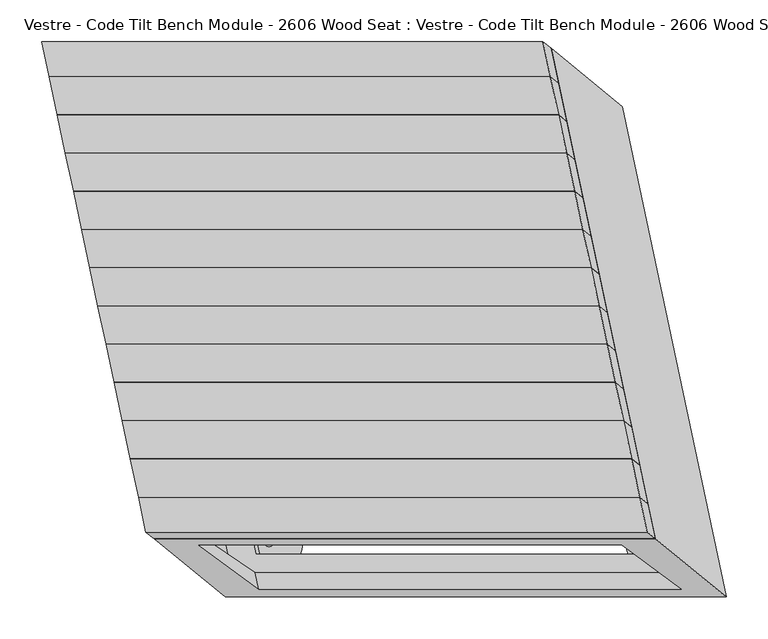
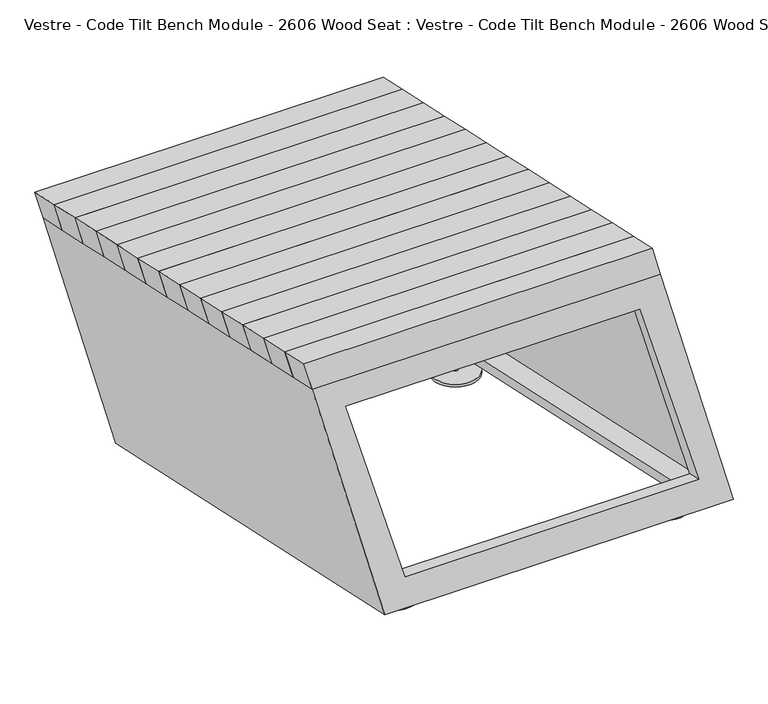
"""IFC4 building model written with IfcOpenShell, lengths in millimetres: furniture geometry, Vestre - Code Tilt Bench Module - 2606 Wood Seat : Vestre - Code Tilt Bench Module - 2606 Wood Seat."""

from ifc_helpers import new_model, si_unit, point, frame, frame_2d, origin, origin_with_axes, place, context, project, spatial, circle_curve, trimmed, segment, composite_curve, outline, extrude, faceted_brep, source, transform, mapped, element, save
from ifc_brep_helpers import plane_surface, cylinder_surface, advanced_brep


def vestre_code_tilt_bench_module_2606_wood_seat_vestre_code_aa780c99(model_context):
    return source(origin(), model_context, "Body", "SolidModel", [
        faceted_brep([(-341.1105248, -174.1919917, 465.0), (258.8894752, -174.1919917, 465.0), (249.1652085, -128.4429141, 465.0), (-350.8347915, -128.4429141, 465.0), (-331.4646537, -182.0875693, 419.8134138), (-341.1889203, -136.3384916, 419.8134138), (258.8110797, -136.3384916, 419.8134138), (268.5353463, -182.0875693, 419.8134138)], [[[0, 1, 2, 3]], [[4, 5, 6, 7]], [[4, 7, 1, 0]], [[7, 6, 2, 1]], [[6, 5, 3, 2]], [[5, 4, 0, 3]]]),
        faceted_brep([(-350.8347915, -128.4429141, 465.0), (249.1652085, -128.4429141, 465.0), (239.4409419, -82.6938364, 465.0), (-360.5590581, -82.6938364, 465.0), (-341.1889203, -136.3384916, 419.8134138), (-350.913187, -90.5894139, 419.8134138), (249.086813, -90.5894139, 419.8134138), (258.8110797, -136.3384916, 419.8134138)], [[[0, 1, 2, 3]], [[4, 5, 6, 7]], [[4, 7, 1, 0]], [[7, 6, 2, 1]], [[6, 5, 3, 2]], [[5, 4, 0, 3]]]),
        faceted_brep([(-360.5590581, -82.6938364, 465.0), (239.4409419, -82.6938364, 465.0), (229.7166753, -36.9447587, 465.0), (-370.2833247, -36.9447587, 465.0), (-350.913187, -90.5894139, 419.8134138), (-360.6374536, -44.8403363, 419.8134138), (239.3625464, -44.8403363, 419.8134138), (249.086813, -90.5894139, 419.8134138)], [[[0, 1, 2, 3]], [[4, 5, 6, 7]], [[4, 7, 1, 0]], [[7, 6, 2, 1]], [[6, 5, 3, 2]], [[5, 4, 0, 3]]]),
        faceted_brep([(-370.2833247, -36.9447587, 465.0), (229.7166753, -36.9447587, 465.0), (219.9924086, 8.8043189, 465.0), (-380.0075914, 8.8043189, 465.0), (-360.6374536, -44.8403363, 419.8134138), (-370.3617203, 0.9087414, 419.8134138), (229.6382797, 0.9087414, 419.8134138), (239.3625464, -44.8403363, 419.8134138)], [[[0, 1, 2, 3]], [[4, 5, 6, 7]], [[4, 7, 1, 0]], [[7, 6, 2, 1]], [[6, 5, 3, 2]], [[5, 4, 0, 3]]]),
        faceted_brep([(-380.0075914, 8.8043189, 465.0), (219.9924086, 8.8043189, 465.0), (210.268142, 54.5533966, 465.0), (-389.731858, 54.5533966, 465.0), (-370.3617203, 0.9087414, 419.8134138), (-380.0859869, 46.657819, 419.8134138), (219.9140131, 46.657819, 419.8134138), (229.6382797, 0.9087414, 419.8134138)], [[[0, 1, 2, 3]], [[4, 5, 6, 7]], [[4, 7, 1, 0]], [[7, 6, 2, 1]], [[6, 5, 3, 2]], [[5, 4, 0, 3]]]),
        faceted_brep([(-389.731858, 54.5533966, 465.0), (210.268142, 54.5533966, 465.0), (200.5438753, 100.3024742, 465.0), (-399.4561247, 100.3024742, 465.0), (-380.0859869, 46.657819, 419.8134138), (-389.8102536, 92.4068967, 419.8134138), (210.1897464, 92.4068967, 419.8134138), (219.9140131, 46.657819, 419.8134138)], [[[0, 1, 2, 3]], [[4, 5, 6, 7]], [[4, 7, 1, 0]], [[7, 6, 2, 1]], [[6, 5, 3, 2]], [[5, 4, 0, 3]]]),
        faceted_brep([(-399.4561247, 100.3024742, 465.0), (200.5438753, 100.3024742, 465.0), (190.8196087, 146.0515519, 465.0), (-409.1803913, 146.0515519, 465.0), (-389.8102536, 92.4068967, 419.8134138), (-399.5345202, 138.1559744, 419.8134138), (200.4654798, 138.1559744, 419.8134138), (210.1897464, 92.4068967, 419.8134138)], [[[0, 1, 2, 3]], [[4, 5, 6, 7]], [[4, 7, 1, 0]], [[7, 6, 2, 1]], [[6, 5, 3, 2]], [[5, 4, 0, 3]]]),
        faceted_brep([(-409.1803913, 146.0515519, 465.0), (190.8196087, 146.0515519, 465.0), (181.095342, 191.8006296, 465.0), (-418.904658, 191.8006296, 465.0), (-399.5345202, 138.1559744, 419.8134138), (-409.2587869, 183.905052, 419.8134138), (190.7412131, 183.905052, 419.8134138), (200.4654798, 138.1559744, 419.8134138)], [[[0, 1, 2, 3]], [[4, 5, 6, 7]], [[4, 7, 1, 0]], [[7, 6, 2, 1]], [[6, 5, 3, 2]], [[5, 4, 0, 3]]]),
        faceted_brep([(-418.904658, 191.8006296, 465.0), (181.095342, 191.8006296, 465.0), (171.3710754, 237.5497072, 465.0), (-428.6289246, 237.5497072, 465.0), (-409.2587869, 183.905052, 419.8134138), (-418.9830535, 229.6541297, 419.8134138), (181.0169465, 229.6541297, 419.8134138), (190.7412131, 183.905052, 419.8134138)], [[[0, 1, 2, 3]], [[4, 5, 6, 7]], [[4, 7, 1, 0]], [[7, 6, 2, 1]], [[6, 5, 3, 2]], [[5, 4, 0, 3]]]),
        faceted_brep([(-428.6289246, 237.5497072, 465.0), (171.3710754, 237.5497072, 465.0), (161.6468087, 283.2987849, 465.0), (-438.3531913, 283.2987849, 465.0), (-418.9830535, 229.6541297, 419.8134138), (-428.7073201, 275.4032074, 419.8134138), (171.2926799, 275.4032074, 419.8134138), (181.0169465, 229.6541297, 419.8134138)], [[[0, 1, 2, 3]], [[4, 5, 6, 7]], [[4, 7, 1, 0]], [[7, 6, 2, 1]], [[6, 5, 3, 2]], [[5, 4, 0, 3]]]),
        faceted_brep([(-438.3531913, 283.2987849, 465.0), (161.6468087, 283.2987849, 465.0), (151.9225421, 329.0478626, 465.0), (-448.0774579, 329.0478626, 465.0), (-428.7073201, 275.4032074, 419.8134138), (-438.4315868, 321.152285, 419.8134138), (161.5684132, 321.152285, 419.8134138), (171.2926799, 275.4032074, 419.8134138)], [[[0, 1, 2, 3]], [[4, 5, 6, 7]], [[4, 7, 1, 0]], [[7, 6, 2, 1]], [[6, 5, 3, 2]], [[5, 4, 0, 3]]]),
        faceted_brep([(-448.0774579, 329.0478626, 465.0), (151.9225421, 329.0478626, 465.0), (143.0321197, 370.8740111, 465.0), (-456.9678803, 370.8740111, 465.0), (-438.4315868, 321.152285, 419.8134138), (-447.3220091, 362.9784336, 419.8134138), (152.6779909, 362.9784336, 419.8134138), (161.5684132, 321.152285, 419.8134138)], [[[0, 1, 2, 3]], [[4, 5, 6, 7]], [[4, 7, 1, 0]], [[7, 6, 2, 1]], [[6, 5, 3, 2]], [[5, 4, 0, 3]]]),
        faceted_brep([(-332.2201025, -216.0181403, 465.0), (267.7798975, -216.0181403, 465.0), (258.8894752, -174.1919917, 465.0), (-341.1105248, -174.1919917, 465.0), (-322.5749946, -223.9101268, 419.8134138), (-331.4646537, -182.0875693, 419.8134138), (268.5353463, -182.0875693, 419.8134138), (277.4250054, -223.9101268, 419.8134138)], [[[0, 1, 2, 3]], [[4, 5, 6, 7]], [[4, 7, 1, 0]], [[7, 6, 2, 1]], [[6, 5, 3, 2]], [[5, 4, 0, 3]]]),
        extrude(outline(composite_curve([segment(trimmed(circle_curve(frame_2d((-282.0328456, 228.5027868)), 5.0), [point((-287.0328456, 228.5027868))], [point((-277.0328456, 228.5027868))], False, "CARTESIAN"), True, "CONTINUOUS"), segment(trimmed(circle_curve(frame_2d((-282.0328456, 228.5027868)), 5.0), [point((-277.0328456, 228.5027868))], [point((-287.0328456, 228.5027868))], False, "CARTESIAN"), True, "CONTINUOUS")], self_intersect=False)), frame((0.0, 0.0, 5.0), z_axis=(0.0, 0.0, 1.0), x_axis=(1.0, 0.0, 0.0)), (0.0, 0.0, 1.0), 19.928755),
        extrude(outline(composite_curve([segment(trimmed(circle_curve(frame_2d((-281.9772057, 228.2596966)), 40.0), [point((-321.9772057, 228.2596966))], [point((-241.9772057, 228.2596966))], False, "CARTESIAN"), True, "CONTINUOUS"), segment(trimmed(circle_curve(frame_2d((-281.9772057, 228.2596966)), 40.0), [point((-241.9772057, 228.2596966))], [point((-321.9772057, 228.2596966))], False, "CARTESIAN"), True, "CONTINUOUS")], self_intersect=False)), origin_with_axes(), (0.0, 0.0, 1.0), 5.0),
        extrude(outline(composite_curve([segment(trimmed(circle_curve(frame_2d((184.9661106, 228.5027868)), 5.0), [point((179.9661106, 228.5027868))], [point((189.9661106, 228.5027868))], False, "CARTESIAN"), True, "CONTINUOUS"), segment(trimmed(circle_curve(frame_2d((184.9661106, 228.5027868)), 5.0), [point((189.9661106, 228.5027868))], [point((179.9661106, 228.5027868))], False, "CARTESIAN"), True, "CONTINUOUS")], self_intersect=False)), frame((0.0, 0.0, 5.0), z_axis=(0.0, 0.0, 1.0), x_axis=(1.0, 0.0, 0.0)), (0.0, 0.0, 1.0), 19.928755),
        extrude(outline(composite_curve([segment(trimmed(circle_curve(frame_2d((185.0217505, 228.2596966)), 40.0), [point((145.0217505, 228.2596966))], [point((225.0217505, 228.2596966))], False, "CARTESIAN"), True, "CONTINUOUS"), segment(trimmed(circle_curve(frame_2d((185.0217505, 228.2596966)), 40.0), [point((225.0217505, 228.2596966))], [point((145.0217505, 228.2596966))], False, "CARTESIAN"), True, "CONTINUOUS")], self_intersect=False)), origin_with_axes(), (0.0, 0.0, 1.0), 5.0),
        extrude(outline(composite_curve([segment(trimmed(circle_curve(frame_2d((282.1707135, -228.4385142)), 5.0), [point((277.1707135, -228.4385142))], [point((287.1707135, -228.4385142))], False, "CARTESIAN"), True, "CONTINUOUS"), segment(trimmed(circle_curve(frame_2d((282.1707135, -228.4385142)), 5.0), [point((287.1707135, -228.4385142))], [point((277.1707135, -228.4385142))], False, "CARTESIAN"), True, "CONTINUOUS")], self_intersect=False)), frame((0.0, 0.0, 5.0), z_axis=(0.0, 0.0, 1.0), x_axis=(1.0, 0.0, 0.0)), (0.0, 0.0, 1.0), 19.928755),
        extrude(outline(composite_curve([segment(trimmed(circle_curve(frame_2d((282.2263535, -228.6816045)), 40.0), [point((242.2263535, -228.6816045))], [point((322.2263535, -228.6816045))], False, "CARTESIAN"), True, "CONTINUOUS"), segment(trimmed(circle_curve(frame_2d((282.2263535, -228.6816045)), 40.0), [point((322.2263535, -228.6816045))], [point((242.2263535, -228.6816045))], False, "CARTESIAN"), True, "CONTINUOUS")], self_intersect=False)), origin_with_axes(), (0.0, 0.0, 1.0), 5.0),
        advanced_brep(
        [(-189.8930564, -228.4385142, 24.928755), (-179.8930564, -228.4385142, 24.928755), (-189.8930564, -228.4385142, 5.0), (-179.8930564, -228.4385142, 5.0), (-224.8374164, -228.6816045, 5.0), (-144.8374164, -228.6816045, 5.0), (-224.8374164, -228.6816045, 0.0), (-144.8374164, -228.6816045, 0.0)],
        [
            (0, 1, circle_curve(frame((-184.8930564, -228.4385142, 24.928755), z_axis=(0.0, 0.0, 1.0), x_axis=(1.0, 0.0, 0.0)), 5.0)),
            (1, 0, circle_curve(frame((-184.8930564, -228.4385142, 24.928755), z_axis=(0.0, 0.0, 1.0), x_axis=(1.0, 0.0, 0.0)), 5.0)),
            (0, 2),
            (2, 3, circle_curve(frame((-184.8930564, -228.4385142, 5.0), z_axis=(0.0, 0.0, 1.0), x_axis=(1.0, 0.0, 0.0)), 5.0)),
            (3, 1),
            (3, 2, circle_curve(frame((-184.8930564, -228.4385142, 5.0), z_axis=(0.0, 0.0, 1.0), x_axis=(1.0, 0.0, 0.0)), 5.0)),
            (4, 5, circle_curve(frame((-184.8374164, -228.6816045, 5.0), z_axis=(0.0, 0.0, 1.0), x_axis=(1.0, 0.0, 0.0)), 40.0)),
            (5, 4, circle_curve(frame((-184.8374164, -228.6816045, 5.0), z_axis=(0.0, 0.0, 1.0), x_axis=(1.0, 0.0, 0.0)), 40.0)),
            (6, 7, circle_curve(frame((-184.8374164, -228.6816045, 0.0), z_axis=(0.0, 0.0, -1.0), x_axis=(1.0, 0.0, 0.0)), 40.0)),
            (7, 6, circle_curve(frame((-184.8374164, -228.6816045, 0.0), z_axis=(0.0, 0.0, -1.0), x_axis=(1.0, 0.0, 0.0)), 40.0)),
            (4, 6),
            (7, 5),
        ],
        [
            plane_surface(frame((-179.8930564, -228.4385142, 24.928755), z_axis=(0.0, 0.0, 1.0), x_axis=(0.0, 1.0, 0.0))),
            cylinder_surface(frame((-184.8930564, -228.4385142, 5.0), z_axis=(0.0, 0.0, 1.0), x_axis=(1.0, 0.0, 0.0)), 5.0),
            plane_surface(frame((-144.8374164, -228.6816045, 5.0), z_axis=(0.0, 0.0, 1.0), x_axis=(0.0, 1.0, 0.0))),
            plane_surface(frame((-144.8374164, -228.6816045, 0.0), z_axis=(0.0, 0.0, -1.0), x_axis=(0.0, -1.0, 0.0))),
            cylinder_surface(frame((-184.8374164, -228.6816045, 0.0), z_axis=(0.0, 0.0, 1.0), x_axis=(1.0, 0.0, 0.0)), 40.0),
        ],
        [
            (0, [[1, 2]]),
            (1, [[-1, 3, 4, 5]]),
            (1, [[-2, -5, 6, -3]]),
            (2, [[7, 8], [-4, -6]]),
            (3, [[9, 10]]),
            (4, [[-7, 11, -10, 12]]),
            (4, [[-8, -12, -9, -11]]),
        ],
    ),
        faceted_brep([(152.6779909, 362.9784336, 419.8134138), (-447.3220091, 362.9784336, 419.8134138), (-322.5749946, -223.9101268, 419.8134138), (277.4250054, -223.9101268, 419.8134138), (-384.6614061, 312.2208839, 419.8134138), (111.5950883, 312.2208839, 419.8134138), (217.200313, -184.6126361, 419.8134138), (-279.0561813, -184.6126361, 419.8134138), (237.6264928, 293.4442802, 21.8677277), (362.3735072, -293.4442802, 21.8677277), (-237.6264928, -293.4442802, 21.8677277), (-362.3735072, 293.4442802, 21.8677277), (196.5435902, 242.6867305, 21.8677277), (-299.7129042, 242.6867305, 21.8677277), (-196.1503245, -244.5369002, 21.8677277), (300.1061699, -244.5369002, 21.8677277), (-269.0294196, -231.7848414, 374.7462265), (237.0291749, -231.7848414, 374.7462265), (308.6447246, -284.7076416, 71.8677277), (-197.4138699, -284.7076416, 71.8677277), (-381.1121334, 309.3156453, 403.1866612), (115.1443609, 309.3156453, 403.1866612), (192.4591078, 246.0300623, 41.0016985), (-303.7973866, 246.0300623, 41.0016985), (-275.5922534, -187.1163595, 403.1866612), (-200.1365927, -241.6556298, 41.0016985), (220.664241, -187.1163595, 403.1866612), (296.1199017, -241.6556298, 41.0016985), (127.6313712, 332.9707916, 403.1866612), (243.4746973, -212.0292084, 403.1866612), (-298.365818, -212.0292084, 403.1866612), (-414.2091441, 332.9707916, 403.1866612), (225.4868228, 272.8781405, 41.0016985), (-343.6743593, 272.8781405, 41.0016985), (-228.3217228, -269.8133464, 41.0016985), (340.8394593, -269.8133464, 41.0016985), (233.794456, -216.5666856, 374.7462265), (-272.2641384, -216.5666856, 374.7462265), (-201.6264773, -264.8888821, 71.8677277), (304.4321172, -264.8888821, 71.8677277)], [[[0, 1, 2, 3], [4, 5, 6, 7]], [[8, 9, 10, 11], [12, 13, 14, 15]], [[1, 0, 8, 11]], [[2, 1, 11, 10]], [[3, 2, 10, 9], [16, 17, 18, 19]], [[0, 3, 9, 8]], [[5, 4, 20, 21]], [[13, 12, 22, 23]], [[4, 7, 24, 20]], [[14, 13, 23, 25]], [[7, 6, 26, 24]], [[15, 14, 25, 27]], [[6, 5, 21, 26]], [[12, 15, 27, 22]], [[28, 29, 30, 31], [21, 20, 24, 26]], [[32, 33, 34, 35], [23, 22, 27, 25]], [[28, 31, 33, 32]], [[31, 30, 34, 33]], [[30, 29, 35, 34], [36, 37, 38, 39]], [[29, 28, 32, 35]], [[16, 37, 36, 17]], [[38, 19, 18, 39]], [[37, 16, 19, 38]], [[17, 36, 39, 18]]]),
    ])


if __name__ == "__main__":
    model = new_model("IFC4")
    model_context = context("Model", 3, world=origin())
    ifc_project = project(units=[si_unit("LENGTHUNIT", "METRE", prefix="MILLI")], contexts=[model_context])
    site = spatial("IfcSite", under=ifc_project)
    building = spatial("IfcBuilding", under=site)
    placement = place(None, origin())
    vestre_code_tilt_bench_module_2606_wood_seat_vestre_code_shape = vestre_code_tilt_bench_module_2606_wood_seat_vestre_code_aa780c99(model_context)
    element("IfcFurniture", 1, ObjectType="Vestre - Code Tilt Bench Module - 2606 Wood Seat : Vestre - Code Tilt Bench Module - 2606 Wood Seat", at=placement, inside=building, context=model_context, shape_type="MappedRepresentation", body=[
        mapped(vestre_code_tilt_bench_module_2606_wood_seat_vestre_code_shape, transform((0.0, 0.0, 0.0), x_axis=(1.0, 0.0, 0.0), y_axis=(0.0, 1.0, 0.0), z_axis=(0.0, 0.0, 1.0))),
    ])
    save(model, "model.ifc")
